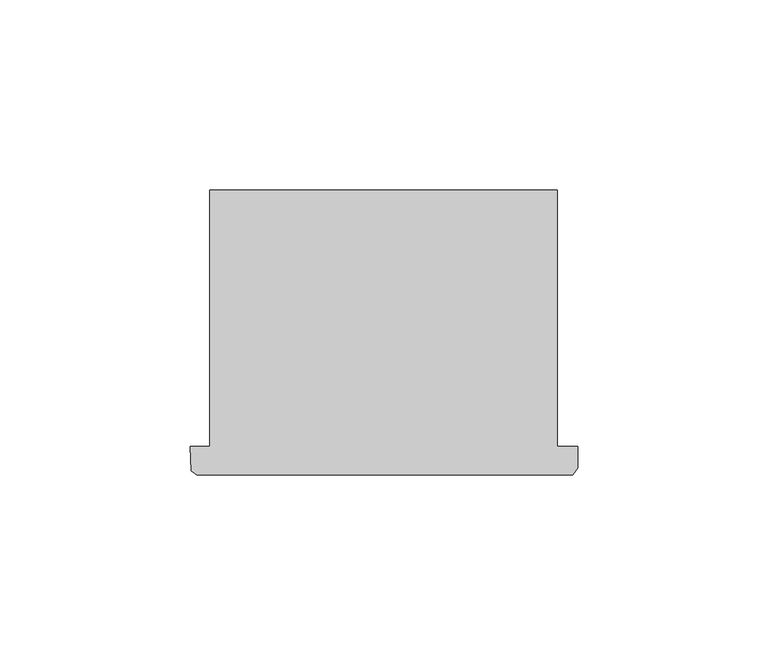
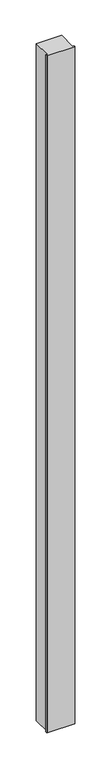
"""IFC4 building model written with IfcOpenShell, lengths in millimetres: column geometry."""

from ifc_helpers import new_model, si_unit, frame, origin, place, context, project, spatial, polyline, outline, extrude, source, transform, mapped, element, save


def column_b1c75bca(model_context):
    return source(origin(), model_context, "Body", "SweptSolid", [
        extrude(outline(polyline([(70259.3517594, -43095.9927258), (70264.449133, -43095.9927258), (70264.449133, -43028.7069066), (70355.6497634, -43028.7069066), (70355.6497634, -43095.9927258), (70360.9517594, -43095.9927258), (70360.9517594, -43101.6853992), (70359.7177258, -43103.45583), (70260.9950632, -43103.45583), (70259.5067756, -43102.3737392), (70259.3517594, -43095.9927258)])), frame((0.0, 0.0, 4419.601524), z_axis=(0.0, 0.0, 1.0), x_axis=(1.0, 0.0, 0.0)), (0.0, 0.0, 1.0), 2590.8000565),
        extrude(outline(polyline([(70259.3517594, -43095.9927258), (70264.449133, -43095.9927258), (70264.449133, -43028.7069066), (70355.6497634, -43028.7069066), (70355.6497634, -43095.9927258), (70360.9517594, -43095.9927258), (70360.9517594, -43101.6853992), (70359.7177258, -43103.45583), (70260.9950632, -43103.45583), (70259.5067756, -43102.3737392), (70259.3517594, -43095.9927258)])), frame((0.0, 0.0, 4419.601524), z_axis=(0.0, 0.0, 1.0), x_axis=(1.0, 0.0, 0.0)), (0.0, 0.0, 1.0), 2590.8000565),
    ])


if __name__ == "__main__":
    model = new_model("IFC4")
    model_context = context("Model", 3, world=origin())
    ifc_project = project(units=[si_unit("LENGTHUNIT", "METRE", prefix="MILLI")], contexts=[model_context])
    site = spatial("IfcSite", under=ifc_project)
    building = spatial("IfcBuilding", under=site)
    placement = place(None, origin())
    column_shape = column_b1c75bca(model_context)
    element("IfcColumn", 1, at=placement, inside=building, context=model_context, shape_type="MappedRepresentation", body=[
        mapped(column_shape, transform((0.0, 0.0, 0.0), x_axis=(1.0, 0.0, 0.0), y_axis=(0.0, 1.0, 0.0), z_axis=(0.0, 0.0, 1.0))),
    ])
    save(model, "model.ifc")
